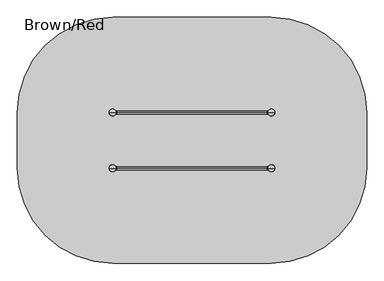
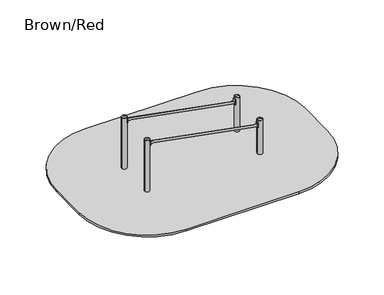
"""IFC4 building model written with IfcOpenShell, lengths in millimetres: furniture geometry, Brown/Red."""

from ifc_helpers import new_model, si_unit, point, frame, frame_2d, origin, origin_2d, place, context, project, spatial, polyline, circle_curve, ellipse_curve, trimmed, segment, composite_curve, outline, extrude, source, transform, mapped, element, save
from ifc_brep_helpers import plane_surface, cylinder_surface, revolved_surface, extruded_surface, advanced_brep


def brown_red_e0551673(model_context):
    return source(origin(), model_context, "Body", "SolidModel", [
        extrude(outline(composite_curve([segment(trimmed(circle_curve(frame_2d((1691.9716639, 174.6300052)), 1.0), [point((1692.811835, 175.1723266))], [point((1691.6296437, 173.6903126))], False, "CARTESIAN"), True, "CONTINUOUS"), segment(polyline([(1691.6296437, 173.6903126), (1674.9518948, 179.7605168)]), True, "CONTINUOUS"), segment(trimmed(circle_curve(frame_2d((1675.293915, 180.7002094)), 1.0), [point((1674.9518948, 179.7605168))], [point((1674.293915, 180.7002094))], False, "CARTESIAN"), True, "CONTINUOUS"), segment(polyline([(1674.293915, 180.7002094), (1674.293915, 229.2997943)]), True, "CONTINUOUS"), segment(trimmed(circle_curve(frame_2d((1675.293915, 229.2997943)), 1.0), [point((1674.293915, 229.2997943))], [point((1674.9518948, 230.2394869))], False, "CARTESIAN"), True, "CONTINUOUS"), segment(polyline([(1674.9518948, 230.2394869), (1691.6296437, 236.3096911)]), True, "CONTINUOUS"), segment(trimmed(circle_curve(frame_2d((1691.9716639, 235.3699985)), 1.0), [point((1691.6296437, 236.3096911))], [point((1692.811835, 234.8276771))], False, "CARTESIAN"), True, "CONTINUOUS"), segment(trimmed(circle_curve(frame_2d((1739.0212474, 205.0000019)), 55.0), [point((1692.811835, 234.8276771))], [point((1692.811835, 175.1723266))], True, "CARTESIAN"), True, "CONTINUOUS")], self_intersect=False)), frame((0.0, 0.0, 635.0), z_axis=(0.0, 0.0, 1.0), x_axis=(1.0, 0.0, 0.0)), (0.0, 0.0, 1.0), 120.0),
        extrude(outline(composite_curve([segment(trimmed(circle_curve(frame_2d((1691.9724263, 1054.6300052)), 1.0), [point((1692.8125975, 1055.1723266))], [point((1691.6304062, 1053.6903126))], False, "CARTESIAN"), True, "CONTINUOUS"), segment(polyline([(1691.6304062, 1053.6903126), (1674.9526573, 1059.7605168)]), True, "CONTINUOUS"), segment(trimmed(circle_curve(frame_2d((1675.2946774, 1060.7002094)), 1.0), [point((1674.9526573, 1059.7605168))], [point((1674.2946774, 1060.7002094))], False, "CARTESIAN"), True, "CONTINUOUS"), segment(polyline([(1674.2946774, 1060.7002094), (1674.2946774, 1109.2997943)]), True, "CONTINUOUS"), segment(trimmed(circle_curve(frame_2d((1675.2946774, 1109.2997943)), 1.0), [point((1674.2946774, 1109.2997943))], [point((1674.9526573, 1110.2394869))], False, "CARTESIAN"), True, "CONTINUOUS"), segment(polyline([(1674.9526573, 1110.2394869), (1691.6304062, 1116.3096911)]), True, "CONTINUOUS"), segment(trimmed(circle_curve(frame_2d((1691.9724263, 1115.3699985)), 1.0), [point((1691.6304062, 1116.3096911))], [point((1692.8125975, 1114.8276771))], False, "CARTESIAN"), True, "CONTINUOUS"), segment(trimmed(circle_curve(frame_2d((1739.0220098, 1085.0000019)), 55.0), [point((1692.8125975, 1114.8276771))], [point((1692.8125975, 1055.1723266))], True, "CARTESIAN"), True, "CONTINUOUS")], self_intersect=False)), frame((0.0, 0.0, 635.0), z_axis=(0.0, 0.0, 1.0), x_axis=(1.0, 0.0, 0.0)), (0.0, 0.0, 1.0), 120.0),
        extrude(outline(composite_curve([segment(trimmed(circle_curve(frame_2d((-713.8777489, 235.3699948)), 1.0), [point((-714.71792, 234.8276734))], [point((-713.5357288, 236.3096874))], False, "CARTESIAN"), True, "CONTINUOUS"), segment(polyline([(-713.5357288, 236.3096874), (-696.8579799, 230.2394832)]), True, "CONTINUOUS"), segment(trimmed(circle_curve(frame_2d((-697.2, 229.2997906)), 1.0), [point((-696.8579799, 230.2394832))], [point((-696.2, 229.2997906))], False, "CARTESIAN"), True, "CONTINUOUS"), segment(polyline([(-696.2, 229.2997906), (-696.2, 180.7002057)]), True, "CONTINUOUS"), segment(trimmed(circle_curve(frame_2d((-697.2, 180.7002057)), 1.0), [point((-696.2, 180.7002057))], [point((-696.8579799, 179.7605131))], False, "CARTESIAN"), True, "CONTINUOUS"), segment(polyline([(-696.8579799, 179.7605131), (-713.5357288, 173.6903089)]), True, "CONTINUOUS"), segment(trimmed(circle_curve(frame_2d((-713.8777489, 174.6300015)), 1.0), [point((-713.5357288, 173.6903089))], [point((-714.71792, 175.1723229))], False, "CARTESIAN"), True, "CONTINUOUS"), segment(trimmed(circle_curve(frame_2d((-760.9273324, 204.9999981)), 55.0), [point((-714.71792, 175.1723229))], [point((-714.71792, 234.8276734))], True, "CARTESIAN"), True, "CONTINUOUS")], self_intersect=False)), frame((0.0, 0.0, 1050.0), z_axis=(0.0, 0.0, 1.0), x_axis=(1.0, 0.0, 0.0)), (0.0, 0.0, 1.0), 120.0),
        extrude(outline(composite_curve([segment(trimmed(circle_curve(frame_2d((-713.8777489, 1115.3699948)), 1.0), [point((-714.71792, 1114.8276734))], [point((-713.5357288, 1116.3096874))], False, "CARTESIAN"), True, "CONTINUOUS"), segment(polyline([(-713.5357288, 1116.3096874), (-696.8579799, 1110.2394832)]), True, "CONTINUOUS"), segment(trimmed(circle_curve(frame_2d((-697.2, 1109.2997906)), 1.0), [point((-696.8579799, 1110.2394832))], [point((-696.2, 1109.2997906))], False, "CARTESIAN"), True, "CONTINUOUS"), segment(polyline([(-696.2, 1109.2997906), (-696.2, 1060.7002057)]), True, "CONTINUOUS"), segment(trimmed(circle_curve(frame_2d((-697.2, 1060.7002057)), 1.0), [point((-696.2, 1060.7002057))], [point((-696.8579799, 1059.7605131))], False, "CARTESIAN"), True, "CONTINUOUS"), segment(polyline([(-696.8579799, 1059.7605131), (-713.5357288, 1053.6903089)]), True, "CONTINUOUS"), segment(trimmed(circle_curve(frame_2d((-713.8777489, 1054.6300015)), 1.0), [point((-713.5357288, 1053.6903089))], [point((-714.71792, 1055.1723229))], False, "CARTESIAN"), True, "CONTINUOUS"), segment(trimmed(circle_curve(frame_2d((-760.9273324, 1084.9999981)), 55.0), [point((-714.71792, 1055.1723229))], [point((-714.71792, 1114.8276734))], True, "CARTESIAN"), True, "CONTINUOUS")], self_intersect=False)), frame((0.0, 0.0, 1050.0), z_axis=(0.0, 0.0, 1.0), x_axis=(1.0, 0.0, 0.0)), (0.0, 0.0, 1.0), 120.0),
        extrude(outline(composite_curve([segment(trimmed(circle_curve(frame_2d((1769.3699948, 1037.9777489)), 1.0), [point((1768.8276734, 1038.81792))], [point((1770.3096874, 1037.6357288))], False, "CARTESIAN"), True, "CONTINUOUS"), segment(polyline([(1770.3096874, 1037.6357288), (1764.2394832, 1020.9579799)]), True, "CONTINUOUS"), segment(trimmed(circle_curve(frame_2d((1763.2997906, 1021.3)), 1.0), [point((1764.2394832, 1020.9579799))], [point((1763.2997906, 1020.3))], False, "CARTESIAN"), True, "CONTINUOUS"), segment(polyline([(1763.2997906, 1020.3), (1714.7002057, 1020.3)]), True, "CONTINUOUS"), segment(trimmed(circle_curve(frame_2d((1714.7002057, 1021.3)), 1.0), [point((1714.7002057, 1020.3))], [point((1713.7605131, 1020.9579799))], False, "CARTESIAN"), True, "CONTINUOUS"), segment(polyline([(1713.7605131, 1020.9579799), (1707.6903089, 1037.6357288)]), True, "CONTINUOUS"), segment(trimmed(circle_curve(frame_2d((1708.6300015, 1037.9777489)), 1.0), [point((1707.6903089, 1037.6357288))], [point((1709.1723229, 1038.81792))], False, "CARTESIAN"), True, "CONTINUOUS"), segment(trimmed(circle_curve(frame_2d((1738.9999981, 1085.0273324)), 55.0), [point((1709.1723229, 1038.81792))], [point((1768.8276734, 1038.81792))], True, "CARTESIAN"), True, "CONTINUOUS")], self_intersect=False)), frame((0.0, 0.0, -335.0), z_axis=(0.0, 0.0, 1.0), x_axis=(1.0, 0.0, 0.0)), (0.0, 0.0, 1.0), 120.0),
        extrude(outline(composite_curve([segment(trimmed(circle_curve(frame_2d((1708.6300052, 252.0683449)), 1.0), [point((1709.1723266, 251.2281737))], [point((1707.6903126, 252.410365))], False, "CARTESIAN"), True, "CONTINUOUS"), segment(polyline([(1707.6903126, 252.410365), (1713.7605168, 269.0881139)]), True, "CONTINUOUS"), segment(trimmed(circle_curve(frame_2d((1714.7002094, 268.7460937)), 1.0), [point((1713.7605168, 269.0881139))], [point((1714.7002094, 269.7460937))], False, "CARTESIAN"), True, "CONTINUOUS"), segment(polyline([(1714.7002094, 269.7460937), (1763.2997943, 269.7460937)]), True, "CONTINUOUS"), segment(trimmed(circle_curve(frame_2d((1763.2997943, 268.7460937)), 1.0), [point((1763.2997943, 269.7460937))], [point((1764.2394869, 269.0881139))], False, "CARTESIAN"), True, "CONTINUOUS"), segment(polyline([(1764.2394869, 269.0881139), (1770.3096911, 252.410365)]), True, "CONTINUOUS"), segment(trimmed(circle_curve(frame_2d((1769.3699985, 252.0683449)), 1.0), [point((1770.3096911, 252.410365))], [point((1768.8276771, 251.2281737))], False, "CARTESIAN"), True, "CONTINUOUS"), segment(trimmed(circle_curve(frame_2d((1739.0000019, 205.0187614)), 55.0), [point((1768.8276771, 251.2281737))], [point((1709.1723266, 251.2281737))], True, "CARTESIAN"), True, "CONTINUOUS")], self_intersect=False)), frame((0.0, 0.0, -335.0), z_axis=(0.0, 0.0, 1.0), x_axis=(1.0, 0.0, 0.0)), (0.0, 0.0, 1.0), 120.0),
        extrude(outline(composite_curve([segment(trimmed(circle_curve(frame_2d((-730.6300052, 1037.9777489)), 1.0), [point((-731.1723266, 1038.81792))], [point((-729.6903126, 1037.6357288))], False, "CARTESIAN"), True, "CONTINUOUS"), segment(polyline([(-729.6903126, 1037.6357288), (-735.7605168, 1020.9579799)]), True, "CONTINUOUS"), segment(trimmed(circle_curve(frame_2d((-736.7002094, 1021.3)), 1.0), [point((-735.7605168, 1020.9579799))], [point((-736.7002094, 1020.3))], False, "CARTESIAN"), True, "CONTINUOUS"), segment(polyline([(-736.7002094, 1020.3), (-785.2997943, 1020.3)]), True, "CONTINUOUS"), segment(trimmed(circle_curve(frame_2d((-785.2997943, 1021.3)), 1.0), [point((-785.2997943, 1020.3))], [point((-786.2394869, 1020.9579799))], False, "CARTESIAN"), True, "CONTINUOUS"), segment(polyline([(-786.2394869, 1020.9579799), (-792.3096911, 1037.6357288)]), True, "CONTINUOUS"), segment(trimmed(circle_curve(frame_2d((-791.3699985, 1037.9777489)), 1.0), [point((-792.3096911, 1037.6357288))], [point((-790.8276771, 1038.81792))], False, "CARTESIAN"), True, "CONTINUOUS"), segment(trimmed(circle_curve(frame_2d((-761.0000019, 1085.0273324)), 55.0), [point((-790.8276771, 1038.81792))], [point((-731.1723266, 1038.81792))], True, "CARTESIAN"), True, "CONTINUOUS")], self_intersect=False)), frame((0.0, 0.0, -335.0), z_axis=(0.0, 0.0, 1.0), x_axis=(1.0, 0.0, 0.0)), (0.0, 0.0, 1.0), 120.0),
        extrude(outline(composite_curve([segment(trimmed(circle_curve(frame_2d((-791.3699948, 252.0740781)), 1.0), [point((-790.8276734, 251.233907))], [point((-792.3096874, 252.4160982))], False, "CARTESIAN"), True, "CONTINUOUS"), segment(polyline([(-792.3096874, 252.4160982), (-786.2394832, 269.0938471)]), True, "CONTINUOUS"), segment(trimmed(circle_curve(frame_2d((-785.2997906, 268.751827)), 1.0), [point((-786.2394832, 269.0938471))], [point((-785.2997906, 269.751827))], False, "CARTESIAN"), True, "CONTINUOUS"), segment(polyline([(-785.2997906, 269.751827), (-736.7002057, 269.751827)]), True, "CONTINUOUS"), segment(trimmed(circle_curve(frame_2d((-736.7002057, 268.751827)), 1.0), [point((-736.7002057, 269.751827))], [point((-735.7605131, 269.0938471))], False, "CARTESIAN"), True, "CONTINUOUS"), segment(polyline([(-735.7605131, 269.0938471), (-729.6903089, 252.4160982)]), True, "CONTINUOUS"), segment(trimmed(circle_curve(frame_2d((-730.6300015, 252.0740781)), 1.0), [point((-729.6903089, 252.4160982))], [point((-731.1723229, 251.233907))], False, "CARTESIAN"), True, "CONTINUOUS"), segment(trimmed(circle_curve(frame_2d((-760.9999981, 205.0244946)), 55.0), [point((-731.1723229, 251.233907))], [point((-790.8276734, 251.233907))], True, "CARTESIAN"), True, "CONTINUOUS")], self_intersect=False)), frame((0.0, 0.0, -335.0), z_axis=(0.0, 0.0, 1.0), x_axis=(1.0, 0.0, 0.0)), (0.0, 0.0, 1.0), 120.0),
        advanced_brep(
        [(1794.0, 1085.0, 800.0), (1684.0, 1085.0, 800.0), (1739.0, 1085.0, 812.0246565), (1739.0, 1085.0, 800.0)],
        [
            (0, 1, circle_curve(frame((1739.0, 1085.0, 800.0), z_axis=(0.0, 0.0, 1.0), x_axis=(-1.0, 0.0, 0.0)), 55.0)),
            (1, 2, circle_curve(frame((1734.4549856, 1085.0, 701.0177111), z_axis=(0.0, 1.0, 0.0), x_axis=(-1.0, 0.0, 0.0)), 111.0999509)),
            (2, 0, circle_curve(frame((1743.5450144, 1085.0, 701.0177111), z_axis=(0.0, 1.0, 0.0), x_axis=(1.0, 0.0, 0.0)), 111.0999509)),
            (1, 0, circle_curve(frame((1739.0, 1085.0, 800.0), z_axis=(0.0, 0.0, 1.0), x_axis=(-1.0, 0.0, 0.0)), 55.0)),
            (3, 1),
            (0, 3),
        ],
        [
            revolved_surface(trimmed(ellipse_curve(frame((1734.4549856, 1085.0, 701.0177111), z_axis=(0.0, -1.0, 0.0), x_axis=(-1.0, 0.0, 0.0)), 111.0999509, 111.0999509), [point((1739.0, 1085.0, 812.0246565))], [point((1684.0, 1085.0, 800.0))], True, "CARTESIAN"), (1739.0, 1085.0, 419.0), (0.0, 0.0, -1.0)),
            plane_surface(frame((1739.0, 1085.0, 800.0), z_axis=(0.0, 0.0, -1.0), x_axis=(-1.0, 0.0, 0.0))),
        ],
        [
            (0, [[1, 2, 3]]),
            (0, [[4, -3, -2]]),
            (1, [[5, -1, 6]]),
            (1, [[-6, -4, -5]]),
        ],
    ),
        advanced_brep(
        [(-748.5, 1157.4599432, -225.0), (-761.0, 1157.4599432, -225.0), (-773.5, 1157.4599432, -225.0), (-833.5, 1097.4599432, -225.0), (-833.5, 1072.4599432, -225.0), (-773.5, 1012.4599432, -225.0), (-748.5, 1012.4599432, -225.0), (-688.5, 1072.4599432, -225.0), (-688.5, 1097.4599432, -225.0), (-671.0, 1235.0, -460.0), (-761.0, 1235.0, -460.0), (-851.0, 1235.0, -460.0), (-911.0, 1175.0, -460.0), (-911.0, 995.0, -460.0), (-851.0, 935.0, -460.0), (-671.0, 935.0, -460.0), (-611.0, 995.0, -460.0), (-611.0, 1175.0, -460.0), (-671.0, 1235.0, -600.0), (-611.0, 1175.0, -600.0), (-611.0, 995.0, -600.0), (-671.0, 935.0, -600.0), (-851.0, 935.0, -600.0), (-911.0, 995.0, -600.0), (-911.0, 1175.0, -600.0), (-851.0, 1235.0, -600.0), (-761.0, 1235.0, -600.0)],
        [
            (0, 1),
            (1, 2),
            (2, 3, circle_curve(frame((-773.5, 1097.4599432, -225.0), z_axis=(0.0, 0.0, 1.0), x_axis=(1.0, 0.0, 0.0)), 60.0)),
            (3, 4),
            (4, 5, circle_curve(frame((-773.5, 1072.4599432, -225.0), z_axis=(0.0, 0.0, 1.0), x_axis=(1.0, 0.0, 0.0)), 60.0)),
            (5, 6),
            (6, 7, circle_curve(frame((-748.5, 1072.4599432, -225.0), z_axis=(0.0, 0.0, 1.0), x_axis=(1.0, 0.0, 0.0)), 60.0)),
            (7, 8),
            (8, 0, circle_curve(frame((-748.5, 1097.4599432, -225.0), z_axis=(0.0, 0.0, 1.0), x_axis=(1.0, 0.0, 0.0)), 60.0)),
            (0, 9),
            (9, 10),
            (10, 1),
            (10, 11),
            (11, 2),
            (11, 12, circle_curve(frame((-851.0, 1175.0, -460.0), z_axis=(0.0, 0.0, 1.0), x_axis=(1.0, 0.0, 0.0)), 60.0)),
            (12, 3),
            (12, 13),
            (13, 4),
            (13, 14, circle_curve(frame((-851.0, 995.0, -460.0), z_axis=(0.0, 0.0, 1.0), x_axis=(1.0, 0.0, 0.0)), 60.0)),
            (14, 5),
            (14, 15),
            (15, 6),
            (15, 16, circle_curve(frame((-671.0, 995.0, -460.0), z_axis=(0.0, 0.0, 1.0), x_axis=(1.0, 0.0, 0.0)), 60.0)),
            (16, 7),
            (16, 17),
            (17, 8),
            (17, 9, circle_curve(frame((-671.0, 1175.0, -460.0), z_axis=(0.0, 0.0, 1.0), x_axis=(1.0, 0.0, 0.0)), 60.0)),
            (18, 19, circle_curve(frame((-671.0, 1175.0, -600.0), z_axis=(0.0, 0.0, -1.0), x_axis=(1.0, 0.0, 0.0)), 60.0)),
            (19, 20),
            (20, 21, circle_curve(frame((-671.0, 995.0, -600.0), z_axis=(0.0, 0.0, -1.0), x_axis=(1.0, 0.0, 0.0)), 60.0)),
            (21, 22),
            (22, 23, circle_curve(frame((-851.0, 995.0, -600.0), z_axis=(0.0, 0.0, -1.0), x_axis=(1.0, 0.0, 0.0)), 60.0)),
            (23, 24),
            (24, 25, circle_curve(frame((-851.0, 1175.0, -600.0), z_axis=(0.0, 0.0, -1.0), x_axis=(1.0, 0.0, 0.0)), 60.0)),
            (25, 26),
            (26, 18),
            (26, 10),
            (9, 18),
            (25, 11),
            (23, 13),
            (12, 24),
            (21, 15),
            (14, 22),
            (19, 17),
            (16, 20),
        ],
        [
            plane_surface(frame((-761.0, 1093.0154988, -225.0), z_axis=(0.0, 0.0, 1.0), x_axis=(-1.0, 0.0, 0.0))),
            plane_surface(frame((-754.75, 1157.4599432, -225.0), z_axis=(0.0, 0.9496406059136844, 0.3133412191204512), x_axis=(1.0, 0.0, 0.0))),
            plane_surface(frame((-767.25, 1157.4599432, -225.0), z_axis=(0.0, 0.9496406059136843, 0.3133412191204512), x_axis=(1.0, 0.0, 0.0))),
            extruded_surface(trimmed(circle_curve(frame((-773.5, 1097.4599432, -225.0), z_axis=(0.0, 0.0, -1.0), x_axis=(1.0, 0.0, 0.0)), 60.0), [point((-833.5, 1097.4599432, -225.0))], [point((-773.5, 1157.4599432, -225.0))], True, "CARTESIAN"), (-77.5, 77.5400568, -235.0), 259.3139225119763),
            plane_surface(frame((-833.5, 1084.9599432, -225.0), z_axis=(-0.9496887635303409, 0.0, 0.31319523052596476), x_axis=(0.0, 1.0, 0.0))),
            extruded_surface(trimmed(circle_curve(frame((-773.5, 1072.4599432, -225.0), z_axis=(0.0, 0.0, -1.0), x_axis=(1.0, 0.0, 0.0)), 60.0), [point((-773.5, 1012.4599432, -225.0))], [point((-833.5, 1072.4599432, -225.0))], True, "CARTESIAN"), (-77.5, -77.4599432, -235.0), 259.2899782107809),
            plane_surface(frame((-761.0, 1012.4599432, -225.0), z_axis=(0.0, -0.9497369035840961, 0.3130492197250991), x_axis=(-1.0, 0.0, 0.0))),
            extruded_surface(trimmed(circle_curve(frame((-748.5, 1072.4599432, -225.0), z_axis=(0.0, 0.0, -1.0), x_axis=(1.0, 0.0, 0.0)), 60.0), [point((-688.5, 1072.4599432, -225.0))], [point((-748.5, 1012.4599432, -225.0))], True, "CARTESIAN"), (77.5, -77.4599432, -235.0), 259.2899782107809),
            plane_surface(frame((-688.5, 1084.9599432, -225.0), z_axis=(0.9496887635303416, 0.0, 0.3131952305259627), x_axis=(0.0, -1.0, 0.0))),
            extruded_surface(trimmed(circle_curve(frame((-748.5, 1097.4599432, -225.0), z_axis=(0.0, 0.0, -1.0), x_axis=(1.0, 0.0, 0.0)), 60.0), [point((-748.5, 1157.4599432, -225.0))], [point((-688.5, 1097.4599432, -225.0))], True, "CARTESIAN"), (77.5, 77.5400568, -235.0), 259.3139225119763),
            plane_surface(frame((-761.0, 1235.0, -600.0), z_axis=(0.0, 0.0, -1.0), x_axis=(1.0, 0.0, 0.0))),
            plane_surface(frame((-671.0, 1235.0, -460.0), z_axis=(0.0, 1.0, 0.0), x_axis=(0.0, 0.0, -1.0))),
            plane_surface(frame((-761.0, 1235.0, -460.0), z_axis=(0.0, 1.0, 0.0), x_axis=(0.0, 0.0, -1.0))),
            plane_surface(frame((-911.0, 1175.0, -460.0), z_axis=(-1.0, 0.0, 0.0), x_axis=(0.0, 0.0, -1.0))),
            plane_surface(frame((-851.0, 935.0, -460.0), z_axis=(0.0, -1.0, 0.0), x_axis=(0.0, 0.0, -1.0))),
            plane_surface(frame((-611.0, 995.0, -460.0), z_axis=(1.0, 0.0, 0.0), x_axis=(0.0, 0.0, -1.0))),
            cylinder_surface(frame((-851.0, 1175.0, -600.0), z_axis=(0.0, 0.0, 1.0), x_axis=(1.0, 0.0, 0.0)), 60.0),
            cylinder_surface(frame((-851.0, 995.0, -600.0), z_axis=(0.0, 0.0, 1.0), x_axis=(1.0, 0.0, 0.0)), 60.0),
            cylinder_surface(frame((-671.0, 995.0, -600.0), z_axis=(0.0, 0.0, 1.0), x_axis=(1.0, 0.0, 0.0)), 60.0),
            cylinder_surface(frame((-671.0, 1175.0, -600.0), z_axis=(0.0, 0.0, 1.0), x_axis=(1.0, 0.0, 0.0)), 60.0),
        ],
        [
            (0, [[1, 2, 3, 4, 5, 6, 7, 8, 9]]),
            (1, [[-1, 10, 11, 12]]),
            (2, [[-2, -12, 13, 14]]),
            (3, [[-3, -14, 15, 16]]),
            (4, [[-4, -16, 17, 18]]),
            (5, [[-5, -18, 19, 20]]),
            (6, [[-6, -20, 21, 22]]),
            (7, [[-7, -22, 23, 24]]),
            (8, [[-8, -24, 25, 26]]),
            (9, [[-9, -26, 27, -10]]),
            (10, [[28, 29, 30, 31, 32, 33, 34, 35, 36]]),
            (11, [[-36, 37, -11, 38]]),
            (12, [[-35, 39, -13, -37]]),
            (13, [[-33, 40, -17, 41]]),
            (14, [[-31, 42, -21, 43]]),
            (15, [[-29, 44, -25, 45]]),
            (16, [[-34, -41, -15, -39]]),
            (17, [[-32, -43, -19, -40]]),
            (18, [[-30, -45, -23, -42]]),
            (19, [[-28, -38, -27, -44]]),
        ],
    ),
        extrude(outline(composite_curve([segment(trimmed(circle_curve(frame_2d((-761.0, 1085.0)), 55.0), [point((-816.0, 1085.0))], [point((-706.0, 1085.0))], False, "CARTESIAN"), True, "CONTINUOUS"), segment(trimmed(circle_curve(frame_2d((-761.0, 1085.0)), 55.0), [point((-706.0, 1085.0))], [point((-816.0, 1085.0))], False, "CARTESIAN"), True, "CONTINUOUS")], self_intersect=False)), frame((0.0, 0.0, -600.0), z_axis=(0.0, 0.0, 1.0), x_axis=(1.0, 0.0, 0.0)), (0.0, 0.0, 1.0), 500.0),
        advanced_brep(
        [(1751.5, 1157.4599432, -225.0), (1739.0, 1157.4599432, -225.0), (1726.5, 1157.4599432, -225.0), (1666.5, 1097.4599432, -225.0), (1666.5, 1072.4599432, -225.0), (1726.5, 1012.4599432, -225.0), (1751.5, 1012.4599432, -225.0), (1811.5, 1072.4599432, -225.0), (1811.5, 1097.4599432, -225.0), (1829.0, 1235.0, -460.0), (1739.0, 1235.0, -460.0), (1649.0, 1235.0, -460.0), (1589.0, 1175.0, -460.0), (1589.0, 995.0, -460.0), (1649.0, 935.0, -460.0), (1829.0, 935.0, -460.0), (1889.0, 995.0, -460.0), (1889.0, 1175.0, -460.0), (1829.0, 1235.0, -600.0), (1889.0, 1175.0, -600.0), (1889.0, 995.0, -600.0), (1829.0, 935.0, -600.0), (1649.0, 935.0, -600.0), (1589.0, 995.0, -600.0), (1589.0, 1175.0, -600.0), (1649.0, 1235.0, -600.0), (1739.0, 1235.0, -600.0)],
        [
            (0, 1),
            (1, 2),
            (2, 3, circle_curve(frame((1726.5, 1097.4599432, -225.0), z_axis=(0.0, 0.0, 1.0), x_axis=(1.0, 0.0, 0.0)), 60.0)),
            (3, 4),
            (4, 5, circle_curve(frame((1726.5, 1072.4599432, -225.0), z_axis=(0.0, 0.0, 1.0), x_axis=(1.0, 0.0, 0.0)), 60.0)),
            (5, 6),
            (6, 7, circle_curve(frame((1751.5, 1072.4599432, -225.0), z_axis=(0.0, 0.0, 1.0), x_axis=(1.0, 0.0, 0.0)), 60.0)),
            (7, 8),
            (8, 0, circle_curve(frame((1751.5, 1097.4599432, -225.0), z_axis=(0.0, 0.0, 1.0), x_axis=(1.0, 0.0, 0.0)), 60.0)),
            (0, 9),
            (9, 10),
            (10, 1),
            (10, 11),
            (11, 2),
            (11, 12, circle_curve(frame((1649.0, 1175.0, -460.0), z_axis=(0.0, 0.0, 1.0), x_axis=(1.0, 0.0, 0.0)), 60.0)),
            (12, 3),
            (12, 13),
            (13, 4),
            (13, 14, circle_curve(frame((1649.0, 995.0, -460.0), z_axis=(0.0, 0.0, 1.0), x_axis=(1.0, 0.0, 0.0)), 60.0)),
            (14, 5),
            (14, 15),
            (15, 6),
            (15, 16, circle_curve(frame((1829.0, 995.0, -460.0), z_axis=(0.0, 0.0, 1.0), x_axis=(1.0, 0.0, 0.0)), 60.0)),
            (16, 7),
            (16, 17),
            (17, 8),
            (17, 9, circle_curve(frame((1829.0, 1175.0, -460.0), z_axis=(0.0, 0.0, 1.0), x_axis=(1.0, 0.0, 0.0)), 60.0)),
            (18, 19, circle_curve(frame((1829.0, 1175.0, -600.0), z_axis=(0.0, 0.0, -1.0), x_axis=(1.0, 0.0, 0.0)), 60.0)),
            (19, 20),
            (20, 21, circle_curve(frame((1829.0, 995.0, -600.0), z_axis=(0.0, 0.0, -1.0), x_axis=(1.0, 0.0, 0.0)), 60.0)),
            (21, 22),
            (22, 23, circle_curve(frame((1649.0, 995.0, -600.0), z_axis=(0.0, 0.0, -1.0), x_axis=(1.0, 0.0, 0.0)), 60.0)),
            (23, 24),
            (24, 25, circle_curve(frame((1649.0, 1175.0, -600.0), z_axis=(0.0, 0.0, -1.0), x_axis=(1.0, 0.0, 0.0)), 60.0)),
            (25, 26),
            (26, 18),
            (26, 10),
            (9, 18),
            (25, 11),
            (23, 13),
            (12, 24),
            (21, 15),
            (14, 22),
            (19, 17),
            (16, 20),
        ],
        [
            plane_surface(frame((1739.0, 1093.0154988, -225.0), z_axis=(0.0, 0.0, 1.0), x_axis=(-1.0, 0.0, 0.0))),
            plane_surface(frame((1745.25, 1157.4599432, -225.0), z_axis=(0.0, 0.9496406059136844, 0.3133412191204512), x_axis=(1.0, 0.0, 0.0))),
            plane_surface(frame((1732.75, 1157.4599432, -225.0), z_axis=(0.0, 0.9496406059136843, 0.3133412191204512), x_axis=(1.0, 0.0, 0.0))),
            extruded_surface(trimmed(circle_curve(frame((1726.5, 1097.4599432, -225.0), z_axis=(0.0, 0.0, -1.0), x_axis=(1.0, 0.0, 0.0)), 60.0), [point((1666.5, 1097.4599432, -225.0))], [point((1726.5, 1157.4599432, -225.0))], True, "CARTESIAN"), (-77.5, 77.5400568, -235.0), 259.3139225119763),
            plane_surface(frame((1666.5, 1084.9599432, -225.0), z_axis=(-0.9496887635303409, 0.0, 0.31319523052596476), x_axis=(0.0, 1.0, 0.0))),
            extruded_surface(trimmed(circle_curve(frame((1726.5, 1072.4599432, -225.0), z_axis=(0.0, 0.0, -1.0), x_axis=(1.0, 0.0, 0.0)), 60.0), [point((1726.5, 1012.4599432, -225.0))], [point((1666.5, 1072.4599432, -225.0))], True, "CARTESIAN"), (-77.5, -77.4599432, -235.0), 259.2899782107809),
            plane_surface(frame((1739.0, 1012.4599432, -225.0), z_axis=(0.0, -0.9497369035840961, 0.3130492197250991), x_axis=(-1.0, 0.0, 0.0))),
            extruded_surface(trimmed(circle_curve(frame((1751.5, 1072.4599432, -225.0), z_axis=(0.0, 0.0, -1.0), x_axis=(1.0, 0.0, 0.0)), 60.0), [point((1811.5, 1072.4599432, -225.0))], [point((1751.5, 1012.4599432, -225.0))], True, "CARTESIAN"), (77.5, -77.4599432, -235.0), 259.2899782107809),
            plane_surface(frame((1811.5, 1084.9599432, -225.0), z_axis=(0.9496887635303416, 0.0, 0.3131952305259627), x_axis=(0.0, -1.0, 0.0))),
            extruded_surface(trimmed(circle_curve(frame((1751.5, 1097.4599432, -225.0), z_axis=(0.0, 0.0, -1.0), x_axis=(1.0, 0.0, 0.0)), 60.0), [point((1751.5, 1157.4599432, -225.0))], [point((1811.5, 1097.4599432, -225.0))], True, "CARTESIAN"), (77.5, 77.5400568, -235.0), 259.3139225119763),
            plane_surface(frame((1739.0, 1235.0, -600.0), z_axis=(0.0, 0.0, -1.0), x_axis=(1.0, 0.0, 0.0))),
            plane_surface(frame((1829.0, 1235.0, -460.0), z_axis=(0.0, 1.0, 0.0), x_axis=(0.0, 0.0, -1.0))),
            plane_surface(frame((1739.0, 1235.0, -460.0), z_axis=(0.0, 1.0, 0.0), x_axis=(0.0, 0.0, -1.0))),
            plane_surface(frame((1589.0, 1175.0, -460.0), z_axis=(-1.0, 0.0, 0.0), x_axis=(0.0, 0.0, -1.0))),
            plane_surface(frame((1649.0, 935.0, -460.0), z_axis=(0.0, -1.0, 0.0), x_axis=(0.0, 0.0, -1.0))),
            plane_surface(frame((1889.0, 995.0, -460.0), z_axis=(1.0, 0.0, 0.0), x_axis=(0.0, 0.0, -1.0))),
            cylinder_surface(frame((1649.0, 1175.0, -600.0), z_axis=(0.0, 0.0, 1.0), x_axis=(1.0, 0.0, 0.0)), 60.0),
            cylinder_surface(frame((1649.0, 995.0, -600.0), z_axis=(0.0, 0.0, 1.0), x_axis=(1.0, 0.0, 0.0)), 60.0),
            cylinder_surface(frame((1829.0, 995.0, -600.0), z_axis=(0.0, 0.0, 1.0), x_axis=(1.0, 0.0, 0.0)), 60.0),
            cylinder_surface(frame((1829.0, 1175.0, -600.0), z_axis=(0.0, 0.0, 1.0), x_axis=(1.0, 0.0, 0.0)), 60.0),
        ],
        [
            (0, [[1, 2, 3, 4, 5, 6, 7, 8, 9]]),
            (1, [[-1, 10, 11, 12]]),
            (2, [[-2, -12, 13, 14]]),
            (3, [[-3, -14, 15, 16]]),
            (4, [[-4, -16, 17, 18]]),
            (5, [[-5, -18, 19, 20]]),
            (6, [[-6, -20, 21, 22]]),
            (7, [[-7, -22, 23, 24]]),
            (8, [[-8, -24, 25, 26]]),
            (9, [[-9, -26, 27, -10]]),
            (10, [[28, 29, 30, 31, 32, 33, 34, 35, 36]]),
            (11, [[-36, 37, -11, 38]]),
            (12, [[-35, 39, -13, -37]]),
            (13, [[-33, 40, -17, 41]]),
            (14, [[-31, 42, -21, 43]]),
            (15, [[-29, 44, -25, 45]]),
            (16, [[-34, -41, -15, -39]]),
            (17, [[-32, -43, -19, -40]]),
            (18, [[-30, -45, -23, -42]]),
            (19, [[-28, -38, -27, -44]]),
        ],
    ),
        extrude(outline(composite_curve([segment(trimmed(circle_curve(frame_2d((1739.0, 1085.0)), 55.0), [point((1684.0, 1085.0))], [point((1794.0, 1085.0))], False, "CARTESIAN"), True, "CONTINUOUS"), segment(trimmed(circle_curve(frame_2d((1739.0, 1085.0)), 55.0), [point((1794.0, 1085.0))], [point((1684.0, 1085.0))], False, "CARTESIAN"), True, "CONTINUOUS")], self_intersect=False)), frame((0.0, 0.0, -600.0), z_axis=(0.0, 0.0, 1.0), x_axis=(1.0, 0.0, 0.0)), (0.0, 0.0, 1.0), 500.0),
        advanced_brep(
        [(-706.0, 1085.0, 1200.0), (-816.0, 1085.0, 1200.0), (-761.0, 1085.0, 1212.0246565), (-761.0, 1085.0, 1200.0)],
        [
            (0, 1, circle_curve(frame((-761.0, 1085.0, 1200.0), z_axis=(0.0, 0.0, 1.0), x_axis=(-1.0, 0.0, 0.0)), 55.0)),
            (1, 2, circle_curve(frame((-765.5450144, 1085.0, 1101.0177111), z_axis=(0.0, 1.0, 0.0), x_axis=(-1.0, 0.0, 0.0)), 111.0999509)),
            (2, 0, circle_curve(frame((-756.4549856, 1085.0, 1101.0177111), z_axis=(0.0, 1.0, 0.0), x_axis=(1.0, 0.0, 0.0)), 111.0999509)),
            (1, 0, circle_curve(frame((-761.0, 1085.0, 1200.0), z_axis=(0.0, 0.0, 1.0), x_axis=(-1.0, 0.0, 0.0)), 55.0)),
            (3, 1),
            (0, 3),
        ],
        [
            revolved_surface(trimmed(ellipse_curve(frame((-765.5450144, 1085.0, 1101.0177111), z_axis=(0.0, -1.0, 0.0), x_axis=(-1.0, 0.0, 0.0)), 111.0999509, 111.0999509), [point((-761.0, 1085.0, 1212.0246565))], [point((-816.0, 1085.0, 1200.0))], True, "CARTESIAN"), (-761.0, 1085.0, 819.0), (0.0, 0.0, -1.0)),
            plane_surface(frame((-761.0, 1085.0, 1200.0), z_axis=(0.0, 0.0, -1.0), x_axis=(-1.0, 0.0, 0.0))),
        ],
        [
            (0, [[1, 2, 3]]),
            (0, [[4, -3, -2]]),
            (1, [[5, -1, 6]]),
            (1, [[-6, -4, -5]]),
        ],
    ),
        advanced_brep(
        [(1794.0, 205.0, 800.0), (1684.0, 205.0, 800.0), (1739.0, 205.0, 812.0246565), (1739.0, 205.0, 800.0)],
        [
            (0, 1, circle_curve(frame((1739.0, 205.0, 800.0), z_axis=(0.0, 0.0, 1.0), x_axis=(-1.0, 0.0, 0.0)), 55.0)),
            (1, 2, circle_curve(frame((1734.4549856, 205.0, 701.0177111), z_axis=(0.0, 1.0, 0.0), x_axis=(-1.0, 0.0, 0.0)), 111.0999509)),
            (2, 0, circle_curve(frame((1743.5450144, 205.0, 701.0177111), z_axis=(0.0, 1.0, 0.0), x_axis=(1.0, 0.0, 0.0)), 111.0999509)),
            (1, 0, circle_curve(frame((1739.0, 205.0, 800.0), z_axis=(0.0, 0.0, 1.0), x_axis=(-1.0, 0.0, 0.0)), 55.0)),
            (3, 1),
            (0, 3),
        ],
        [
            revolved_surface(trimmed(ellipse_curve(frame((1734.4549856, 205.0, 701.0177111), z_axis=(0.0, -1.0, 0.0), x_axis=(-1.0, 0.0, 0.0)), 111.0999509, 111.0999509), [point((1739.0, 205.0, 812.0246565))], [point((1684.0, 205.0, 800.0))], True, "CARTESIAN"), (1739.0, 205.0, 419.0), (0.0, 0.0, -1.0)),
            plane_surface(frame((1739.0, 205.0, 800.0), z_axis=(0.0, 0.0, -1.0), x_axis=(-1.0, 0.0, 0.0))),
        ],
        [
            (0, [[1, 2, 3]]),
            (0, [[4, -3, -2]]),
            (1, [[5, -1, 6]]),
            (1, [[-6, -4, -5]]),
        ],
    ),
        advanced_brep(
        [(-706.0, 205.0, 1200.0), (-816.0, 205.0, 1200.0), (-761.0, 205.0, 1212.0246565), (-761.0, 205.0, 1200.0)],
        [
            (0, 1, circle_curve(frame((-761.0, 205.0, 1200.0), z_axis=(0.0, 0.0, 1.0), x_axis=(-1.0, 0.0, 0.0)), 55.0)),
            (1, 2, circle_curve(frame((-765.5450144, 205.0, 1101.0177111), z_axis=(0.0, 1.0, 0.0), x_axis=(-1.0, 0.0, 0.0)), 111.0999509)),
            (2, 0, circle_curve(frame((-756.4549856, 205.0, 1101.0177111), z_axis=(0.0, 1.0, 0.0), x_axis=(1.0, 0.0, 0.0)), 111.0999509)),
            (1, 0, circle_curve(frame((-761.0, 205.0, 1200.0), z_axis=(0.0, 0.0, 1.0), x_axis=(-1.0, 0.0, 0.0)), 55.0)),
            (3, 1),
            (0, 3),
        ],
        [
            revolved_surface(trimmed(ellipse_curve(frame((-765.5450144, 205.0, 1101.0177111), z_axis=(0.0, -1.0, 0.0), x_axis=(-1.0, 0.0, 0.0)), 111.0999509, 111.0999509), [point((-761.0, 205.0, 1212.0246565))], [point((-816.0, 205.0, 1200.0))], True, "CARTESIAN"), (-761.0, 205.0, 819.0), (0.0, 0.0, -1.0)),
            plane_surface(frame((-761.0, 205.0, 1200.0), z_axis=(0.0, 0.0, -1.0), x_axis=(-1.0, 0.0, 0.0))),
        ],
        [
            (0, [[1, 2, 3]]),
            (0, [[4, -3, -2]]),
            (1, [[5, -1, 6]]),
            (1, [[-6, -4, -5]]),
        ],
    ),
        advanced_brep(
        [(1751.5, 277.4599432, -225.0), (1739.0, 277.4599432, -225.0), (1726.5, 277.4599432, -225.0), (1666.5, 217.4599432, -225.0), (1666.5, 192.4599432, -225.0), (1726.5, 132.4599432, -225.0), (1751.5, 132.4599432, -225.0), (1811.5, 192.4599432, -225.0), (1811.5, 217.4599432, -225.0), (1829.0, 355.0, -460.0), (1739.0, 355.0, -460.0), (1649.0, 355.0, -460.0), (1589.0, 295.0, -460.0), (1589.0, 115.0, -460.0), (1649.0, 55.0, -460.0), (1829.0, 55.0, -460.0), (1889.0, 115.0, -460.0), (1889.0, 295.0, -460.0), (1829.0, 355.0, -600.0), (1889.0, 295.0, -600.0), (1889.0, 115.0, -600.0), (1829.0, 55.0, -600.0), (1649.0, 55.0, -600.0), (1589.0, 115.0, -600.0), (1589.0, 295.0, -600.0), (1649.0, 355.0, -600.0), (1739.0, 355.0, -600.0)],
        [
            (0, 1),
            (1, 2),
            (2, 3, circle_curve(frame((1726.5, 217.4599432, -225.0), z_axis=(0.0, 0.0, 1.0), x_axis=(1.0, 0.0, 0.0)), 60.0)),
            (3, 4),
            (4, 5, circle_curve(frame((1726.5, 192.4599432, -225.0), z_axis=(0.0, 0.0, 1.0), x_axis=(1.0, 0.0, 0.0)), 60.0)),
            (5, 6),
            (6, 7, circle_curve(frame((1751.5, 192.4599432, -225.0), z_axis=(0.0, 0.0, 1.0), x_axis=(1.0, 0.0, 0.0)), 60.0)),
            (7, 8),
            (8, 0, circle_curve(frame((1751.5, 217.4599432, -225.0), z_axis=(0.0, 0.0, 1.0), x_axis=(1.0, 0.0, 0.0)), 60.0)),
            (0, 9),
            (9, 10),
            (10, 1),
            (10, 11),
            (11, 2),
            (11, 12, circle_curve(frame((1649.0, 295.0, -460.0), z_axis=(0.0, 0.0, 1.0), x_axis=(1.0, 0.0, 0.0)), 60.0)),
            (12, 3),
            (12, 13),
            (13, 4),
            (13, 14, circle_curve(frame((1649.0, 115.0, -460.0), z_axis=(0.0, 0.0, 1.0), x_axis=(1.0, 0.0, 0.0)), 60.0)),
            (14, 5),
            (14, 15),
            (15, 6),
            (15, 16, circle_curve(frame((1829.0, 115.0, -460.0), z_axis=(0.0, 0.0, 1.0), x_axis=(1.0, 0.0, 0.0)), 60.0)),
            (16, 7),
            (16, 17),
            (17, 8),
            (17, 9, circle_curve(frame((1829.0, 295.0, -460.0), z_axis=(0.0, 0.0, 1.0), x_axis=(1.0, 0.0, 0.0)), 60.0)),
            (18, 19, circle_curve(frame((1829.0, 295.0, -600.0), z_axis=(0.0, 0.0, -1.0), x_axis=(1.0, 0.0, 0.0)), 60.0)),
            (19, 20),
            (20, 21, circle_curve(frame((1829.0, 115.0, -600.0), z_axis=(0.0, 0.0, -1.0), x_axis=(1.0, 0.0, 0.0)), 60.0)),
            (21, 22),
            (22, 23, circle_curve(frame((1649.0, 115.0, -600.0), z_axis=(0.0, 0.0, -1.0), x_axis=(1.0, 0.0, 0.0)), 60.0)),
            (23, 24),
            (24, 25, circle_curve(frame((1649.0, 295.0, -600.0), z_axis=(0.0, 0.0, -1.0), x_axis=(1.0, 0.0, 0.0)), 60.0)),
            (25, 26),
            (26, 18),
            (26, 10),
            (9, 18),
            (25, 11),
            (23, 13),
            (12, 24),
            (21, 15),
            (14, 22),
            (19, 17),
            (16, 20),
        ],
        [
            plane_surface(frame((1739.0, 213.0154988, -225.0), z_axis=(0.0, 0.0, 1.0), x_axis=(-1.0, 0.0, 0.0))),
            plane_surface(frame((1745.25, 277.4599432, -225.0), z_axis=(0.0, 0.9496406059136844, 0.3133412191204512), x_axis=(1.0, 0.0, 0.0))),
            plane_surface(frame((1732.75, 277.4599432, -225.0), z_axis=(0.0, 0.9496406059136843, 0.3133412191204512), x_axis=(1.0, 0.0, 0.0))),
            extruded_surface(trimmed(circle_curve(frame((1726.5, 217.4599432, -225.0), z_axis=(0.0, 0.0, -1.0), x_axis=(1.0, 0.0, 0.0)), 60.0), [point((1666.5, 217.4599432, -225.0))], [point((1726.5, 277.4599432, -225.0))], True, "CARTESIAN"), (-77.5, 77.5400568, -235.0), 259.3139225119763),
            plane_surface(frame((1666.5, 204.9599432, -225.0), z_axis=(-0.9496887635303409, 0.0, 0.31319523052596476), x_axis=(0.0, 1.0, 0.0))),
            extruded_surface(trimmed(circle_curve(frame((1726.5, 192.4599432, -225.0), z_axis=(0.0, 0.0, -1.0), x_axis=(1.0, 0.0, 0.0)), 60.0), [point((1726.5, 132.4599432, -225.0))], [point((1666.5, 192.4599432, -225.0))], True, "CARTESIAN"), (-77.5, -77.4599432, -235.0), 259.2899782107809),
            plane_surface(frame((1739.0, 132.4599432, -225.0), z_axis=(0.0, -0.9497369035840961, 0.3130492197250991), x_axis=(-1.0, 0.0, 0.0))),
            extruded_surface(trimmed(circle_curve(frame((1751.5, 192.4599432, -225.0), z_axis=(0.0, 0.0, -1.0), x_axis=(1.0, 0.0, 0.0)), 60.0), [point((1811.5, 192.4599432, -225.0))], [point((1751.5, 132.4599432, -225.0))], True, "CARTESIAN"), (77.5, -77.4599432, -235.0), 259.2899782107809),
            plane_surface(frame((1811.5, 204.9599432, -225.0), z_axis=(0.9496887635303416, 0.0, 0.3131952305259627), x_axis=(0.0, -1.0, 0.0))),
            extruded_surface(trimmed(circle_curve(frame((1751.5, 217.4599432, -225.0), z_axis=(0.0, 0.0, -1.0), x_axis=(1.0, 0.0, 0.0)), 60.0), [point((1751.5, 277.4599432, -225.0))], [point((1811.5, 217.4599432, -225.0))], True, "CARTESIAN"), (77.5, 77.5400568, -235.0), 259.3139225119763),
            plane_surface(frame((1739.0, 355.0, -600.0), z_axis=(0.0, 0.0, -1.0), x_axis=(1.0, 0.0, 0.0))),
            plane_surface(frame((1829.0, 355.0, -460.0), z_axis=(0.0, 1.0, 0.0), x_axis=(0.0, 0.0, -1.0))),
            plane_surface(frame((1739.0, 355.0, -460.0), z_axis=(0.0, 1.0, 0.0), x_axis=(0.0, 0.0, -1.0))),
            plane_surface(frame((1589.0, 295.0, -460.0), z_axis=(-1.0, 0.0, 0.0), x_axis=(0.0, 0.0, -1.0))),
            plane_surface(frame((1649.0, 55.0, -460.0), z_axis=(0.0, -1.0, 0.0), x_axis=(0.0, 0.0, -1.0))),
            plane_surface(frame((1889.0, 115.0, -460.0), z_axis=(1.0, 0.0, 0.0), x_axis=(0.0, 0.0, -1.0))),
            cylinder_surface(frame((1649.0, 295.0, -600.0), z_axis=(0.0, 0.0, 1.0), x_axis=(1.0, 0.0, 0.0)), 60.0),
            cylinder_surface(frame((1649.0, 115.0, -600.0), z_axis=(0.0, 0.0, 1.0), x_axis=(1.0, 0.0, 0.0)), 60.0),
            cylinder_surface(frame((1829.0, 115.0, -600.0), z_axis=(0.0, 0.0, 1.0), x_axis=(1.0, 0.0, 0.0)), 60.0),
            cylinder_surface(frame((1829.0, 295.0, -600.0), z_axis=(0.0, 0.0, 1.0), x_axis=(1.0, 0.0, 0.0)), 60.0),
        ],
        [
            (0, [[1, 2, 3, 4, 5, 6, 7, 8, 9]]),
            (1, [[-1, 10, 11, 12]]),
            (2, [[-2, -12, 13, 14]]),
            (3, [[-3, -14, 15, 16]]),
            (4, [[-4, -16, 17, 18]]),
            (5, [[-5, -18, 19, 20]]),
            (6, [[-6, -20, 21, 22]]),
            (7, [[-7, -22, 23, 24]]),
            (8, [[-8, -24, 25, 26]]),
            (9, [[-9, -26, 27, -10]]),
            (10, [[28, 29, 30, 31, 32, 33, 34, 35, 36]]),
            (11, [[-36, 37, -11, 38]]),
            (12, [[-35, 39, -13, -37]]),
            (13, [[-33, 40, -17, 41]]),
            (14, [[-31, 42, -21, 43]]),
            (15, [[-29, 44, -25, 45]]),
            (16, [[-34, -41, -15, -39]]),
            (17, [[-32, -43, -19, -40]]),
            (18, [[-30, -45, -23, -42]]),
            (19, [[-28, -38, -27, -44]]),
        ],
    ),
        extrude(outline(composite_curve([segment(trimmed(circle_curve(frame_2d((1739.0, 205.0)), 55.0), [point((1684.0, 205.0))], [point((1794.0, 205.0))], False, "CARTESIAN"), True, "CONTINUOUS"), segment(trimmed(circle_curve(frame_2d((1739.0, 205.0)), 55.0), [point((1794.0, 205.0))], [point((1684.0, 205.0))], False, "CARTESIAN"), True, "CONTINUOUS")], self_intersect=False)), frame((0.0, 0.0, -600.0), z_axis=(0.0, 0.0, 1.0), x_axis=(1.0, 0.0, 0.0)), (0.0, 0.0, 1.0), 500.0),
        advanced_brep(
        [(-748.5, 277.4599432, -225.0), (-761.0, 277.4599432, -225.0), (-773.5, 277.4599432, -225.0), (-833.5, 217.4599432, -225.0), (-833.5, 192.4599432, -225.0), (-773.5, 132.4599432, -225.0), (-748.5, 132.4599432, -225.0), (-688.5, 192.4599432, -225.0), (-688.5, 217.4599432, -225.0), (-671.0, 355.0, -460.0), (-761.0, 355.0, -460.0), (-851.0, 355.0, -460.0), (-911.0, 295.0, -460.0), (-911.0, 115.0, -460.0), (-851.0, 55.0, -460.0), (-671.0, 55.0, -460.0), (-611.0, 115.0, -460.0), (-611.0, 295.0, -460.0), (-671.0, 355.0, -600.0), (-611.0, 295.0, -600.0), (-611.0, 115.0, -600.0), (-671.0, 55.0, -600.0), (-851.0, 55.0, -600.0), (-911.0, 115.0, -600.0), (-911.0, 295.0, -600.0), (-851.0, 355.0, -600.0), (-761.0, 355.0, -600.0)],
        [
            (0, 1),
            (1, 2),
            (2, 3, circle_curve(frame((-773.5, 217.4599432, -225.0), z_axis=(0.0, 0.0, 1.0), x_axis=(1.0, 0.0, 0.0)), 60.0)),
            (3, 4),
            (4, 5, circle_curve(frame((-773.5, 192.4599432, -225.0), z_axis=(0.0, 0.0, 1.0), x_axis=(1.0, 0.0, 0.0)), 60.0)),
            (5, 6),
            (6, 7, circle_curve(frame((-748.5, 192.4599432, -225.0), z_axis=(0.0, 0.0, 1.0), x_axis=(1.0, 0.0, 0.0)), 60.0)),
            (7, 8),
            (8, 0, circle_curve(frame((-748.5, 217.4599432, -225.0), z_axis=(0.0, 0.0, 1.0), x_axis=(1.0, 0.0, 0.0)), 60.0)),
            (0, 9),
            (9, 10),
            (10, 1),
            (10, 11),
            (11, 2),
            (11, 12, circle_curve(frame((-851.0, 295.0, -460.0), z_axis=(0.0, 0.0, 1.0), x_axis=(1.0, 0.0, 0.0)), 60.0)),
            (12, 3),
            (12, 13),
            (13, 4),
            (13, 14, circle_curve(frame((-851.0, 115.0, -460.0), z_axis=(0.0, 0.0, 1.0), x_axis=(1.0, 0.0, 0.0)), 60.0)),
            (14, 5),
            (14, 15),
            (15, 6),
            (15, 16, circle_curve(frame((-671.0, 115.0, -460.0), z_axis=(0.0, 0.0, 1.0), x_axis=(1.0, 0.0, 0.0)), 60.0)),
            (16, 7),
            (16, 17),
            (17, 8),
            (17, 9, circle_curve(frame((-671.0, 295.0, -460.0), z_axis=(0.0, 0.0, 1.0), x_axis=(1.0, 0.0, 0.0)), 60.0)),
            (18, 19, circle_curve(frame((-671.0, 295.0, -600.0), z_axis=(0.0, 0.0, -1.0), x_axis=(1.0, 0.0, 0.0)), 60.0)),
            (19, 20),
            (20, 21, circle_curve(frame((-671.0, 115.0, -600.0), z_axis=(0.0, 0.0, -1.0), x_axis=(1.0, 0.0, 0.0)), 60.0)),
            (21, 22),
            (22, 23, circle_curve(frame((-851.0, 115.0, -600.0), z_axis=(0.0, 0.0, -1.0), x_axis=(1.0, 0.0, 0.0)), 60.0)),
            (23, 24),
            (24, 25, circle_curve(frame((-851.0, 295.0, -600.0), z_axis=(0.0, 0.0, -1.0), x_axis=(1.0, 0.0, 0.0)), 60.0)),
            (25, 26),
            (26, 18),
            (26, 10),
            (9, 18),
            (25, 11),
            (23, 13),
            (12, 24),
            (21, 15),
            (14, 22),
            (19, 17),
            (16, 20),
        ],
        [
            plane_surface(frame((-761.0, 213.0154988, -225.0), z_axis=(0.0, 0.0, 1.0), x_axis=(-1.0, 0.0, 0.0))),
            plane_surface(frame((-754.75, 277.4599432, -225.0), z_axis=(0.0, 0.9496406059136844, 0.3133412191204512), x_axis=(1.0, 0.0, 0.0))),
            plane_surface(frame((-767.25, 277.4599432, -225.0), z_axis=(0.0, 0.9496406059136843, 0.3133412191204512), x_axis=(1.0, 0.0, 0.0))),
            extruded_surface(trimmed(circle_curve(frame((-773.5, 217.4599432, -225.0), z_axis=(0.0, 0.0, -1.0), x_axis=(1.0, 0.0, 0.0)), 60.0), [point((-833.5, 217.4599432, -225.0))], [point((-773.5, 277.4599432, -225.0))], True, "CARTESIAN"), (-77.5, 77.5400568, -235.0), 259.3139225119763),
            plane_surface(frame((-833.5, 204.9599432, -225.0), z_axis=(-0.9496887635303409, 0.0, 0.31319523052596476), x_axis=(0.0, 1.0, 0.0))),
            extruded_surface(trimmed(circle_curve(frame((-773.5, 192.4599432, -225.0), z_axis=(0.0, 0.0, -1.0), x_axis=(1.0, 0.0, 0.0)), 60.0), [point((-773.5, 132.4599432, -225.0))], [point((-833.5, 192.4599432, -225.0))], True, "CARTESIAN"), (-77.5, -77.4599432, -235.0), 259.2899782107809),
            plane_surface(frame((-761.0, 132.4599432, -225.0), z_axis=(0.0, -0.9497369035840961, 0.3130492197250991), x_axis=(-1.0, 0.0, 0.0))),
            extruded_surface(trimmed(circle_curve(frame((-748.5, 192.4599432, -225.0), z_axis=(0.0, 0.0, -1.0), x_axis=(1.0, 0.0, 0.0)), 60.0), [point((-688.5, 192.4599432, -225.0))], [point((-748.5, 132.4599432, -225.0))], True, "CARTESIAN"), (77.5, -77.4599432, -235.0), 259.2899782107809),
            plane_surface(frame((-688.5, 204.9599432, -225.0), z_axis=(0.9496887635303416, 0.0, 0.3131952305259627), x_axis=(0.0, -1.0, 0.0))),
            extruded_surface(trimmed(circle_curve(frame((-748.5, 217.4599432, -225.0), z_axis=(0.0, 0.0, -1.0), x_axis=(1.0, 0.0, 0.0)), 60.0), [point((-748.5, 277.4599432, -225.0))], [point((-688.5, 217.4599432, -225.0))], True, "CARTESIAN"), (77.5, 77.5400568, -235.0), 259.3139225119763),
            plane_surface(frame((-761.0, 355.0, -600.0), z_axis=(0.0, 0.0, -1.0), x_axis=(1.0, 0.0, 0.0))),
            plane_surface(frame((-671.0, 355.0, -460.0), z_axis=(0.0, 1.0, 0.0), x_axis=(0.0, 0.0, -1.0))),
            plane_surface(frame((-761.0, 355.0, -460.0), z_axis=(0.0, 1.0, 0.0), x_axis=(0.0, 0.0, -1.0))),
            plane_surface(frame((-911.0, 295.0, -460.0), z_axis=(-1.0, 0.0, 0.0), x_axis=(0.0, 0.0, -1.0))),
            plane_surface(frame((-851.0, 55.0, -460.0), z_axis=(0.0, -1.0, 0.0), x_axis=(0.0, 0.0, -1.0))),
            plane_surface(frame((-611.0, 115.0, -460.0), z_axis=(1.0, 0.0, 0.0), x_axis=(0.0, 0.0, -1.0))),
            cylinder_surface(frame((-851.0, 295.0, -600.0), z_axis=(0.0, 0.0, 1.0), x_axis=(1.0, 0.0, 0.0)), 60.0),
            cylinder_surface(frame((-851.0, 115.0, -600.0), z_axis=(0.0, 0.0, 1.0), x_axis=(1.0, 0.0, 0.0)), 60.0),
            cylinder_surface(frame((-671.0, 115.0, -600.0), z_axis=(0.0, 0.0, 1.0), x_axis=(1.0, 0.0, 0.0)), 60.0),
            cylinder_surface(frame((-671.0, 295.0, -600.0), z_axis=(0.0, 0.0, 1.0), x_axis=(1.0, 0.0, 0.0)), 60.0),
        ],
        [
            (0, [[1, 2, 3, 4, 5, 6, 7, 8, 9]]),
            (1, [[-1, 10, 11, 12]]),
            (2, [[-2, -12, 13, 14]]),
            (3, [[-3, -14, 15, 16]]),
            (4, [[-4, -16, 17, 18]]),
            (5, [[-5, -18, 19, 20]]),
            (6, [[-6, -20, 21, 22]]),
            (7, [[-7, -22, 23, 24]]),
            (8, [[-8, -24, 25, 26]]),
            (9, [[-9, -26, 27, -10]]),
            (10, [[28, 29, 30, 31, 32, 33, 34, 35, 36]]),
            (11, [[-36, 37, -11, 38]]),
            (12, [[-35, 39, -13, -37]]),
            (13, [[-33, 40, -17, 41]]),
            (14, [[-31, 42, -21, 43]]),
            (15, [[-29, 44, -25, 45]]),
            (16, [[-34, -41, -15, -39]]),
            (17, [[-32, -43, -19, -40]]),
            (18, [[-30, -45, -23, -42]]),
            (19, [[-28, -38, -27, -44]]),
        ],
    ),
        extrude(outline(composite_curve([segment(trimmed(circle_curve(frame_2d((-761.0, 205.0)), 55.0), [point((-816.0, 205.0))], [point((-706.0, 205.0))], False, "CARTESIAN"), True, "CONTINUOUS"), segment(trimmed(circle_curve(frame_2d((-761.0, 205.0)), 55.0), [point((-706.0, 205.0))], [point((-816.0, 205.0))], False, "CARTESIAN"), True, "CONTINUOUS")], self_intersect=False)), frame((0.0, 0.0, -600.0), z_axis=(0.0, 0.0, 1.0), x_axis=(1.0, 0.0, 0.0)), (0.0, 0.0, 1.0), 500.0),
        extrude(outline(composite_curve([segment(trimmed(circle_curve(frame_2d((1739.0, 1085.0)), 1500.0), [point((1739.0, 2585.0))], [point((3239.0, 1085.0))], False, "CARTESIAN"), True, "CONTINUOUS"), segment(polyline([(3239.0, 1085.0), (3239.0, 205.0)]), True, "CONTINUOUS"), segment(trimmed(circle_curve(frame_2d((1739.0, 205.0)), 1500.0), [point((3239.0, 205.0))], [point((1739.0, -1295.0))], False, "CARTESIAN"), True, "CONTINUOUS"), segment(polyline([(1739.0, -1295.0), (-761.0, -1295.0)]), True, "CONTINUOUS"), segment(trimmed(circle_curve(frame_2d((-761.0, 205.0)), 1500.0), [point((-761.0, -1295.0))], [point((-2261.0, 205.0))], False, "CARTESIAN"), True, "CONTINUOUS"), segment(polyline([(-2261.0, 205.0), (-2261.0, 1085.0)]), True, "CONTINUOUS"), segment(trimmed(circle_curve(frame_2d((-761.0, 1085.0)), 1500.0), [point((-2261.0, 1085.0))], [point((-761.0, 2585.0))], False, "CARTESIAN"), True, "CONTINUOUS"), segment(polyline([(-761.0, 2585.0), (1739.0, 2585.0)]), True, "CONTINUOUS")], self_intersect=False)), frame((0.0, 0.0, -40.0), z_axis=(0.0, 0.0, 1.0), x_axis=(1.0, 0.0, 0.0)), (0.0, 0.0, 1.0), 41.0),
        extrude(outline(composite_curve([segment(trimmed(circle_curve(origin_2d(), 24.0), [point((0.0, -24.0))], [point((0.0, 24.0000001))], False, "CARTESIAN"), True, "CONTINUOUS"), segment(trimmed(circle_curve(origin_2d(), 24.0), [point((0.0, 24.0000001))], [point((0.0, -24.0))], False, "CARTESIAN"), True, "CONTINUOUS")], self_intersect=False)), frame((1679.1446004, 204.6906676, 674.0993446), z_axis=(-0.983230618144091, 0.0, 0.18236653076699366), x_axis=(0.0, -1.0, 0.0)), (0.0, 0.0, 1.0), 2420.915656),
        extrude(outline(composite_curve([segment(trimmed(circle_curve(origin_2d(), 24.0), [point((0.0, -24.0))], [point((0.0, 24.0000001))], False, "CARTESIAN"), True, "CONTINUOUS"), segment(trimmed(circle_curve(origin_2d(), 24.0), [point((0.0, 24.0000001))], [point((0.0, -24.0))], False, "CARTESIAN"), True, "CONTINUOUS")], self_intersect=False)), frame((1679.1446004, 1085.0031676, 674.0993446), z_axis=(-0.9832306181440914, 0.0, 0.18236653076699152), x_axis=(0.0, -1.0, 0.0)), (0.0, 0.0, 1.0), 2420.915656),
        extrude(outline(composite_curve([segment(trimmed(circle_curve(frame_2d((1739.0, 1085.0)), 55.0), [point((1684.0, 1085.0))], [point((1794.0, 1085.0))], False, "CARTESIAN"), True, "CONTINUOUS"), segment(trimmed(circle_curve(frame_2d((1739.0, 1085.0)), 55.0), [point((1794.0, 1085.0))], [point((1684.0, 1085.0))], False, "CARTESIAN"), True, "CONTINUOUS")], self_intersect=False)), frame((0.0, 0.0, -100.0), z_axis=(0.0, 0.0, 1.0), x_axis=(1.0, 0.0, 0.0)), (0.0, 0.0, 1.0), 900.0),
        extrude(outline(composite_curve([segment(trimmed(circle_curve(frame_2d((1739.0, 205.0)), 55.0), [point((1684.0, 205.0))], [point((1794.0, 205.0))], False, "CARTESIAN"), True, "CONTINUOUS"), segment(trimmed(circle_curve(frame_2d((1739.0, 205.0)), 55.0), [point((1794.0, 205.0))], [point((1684.0, 205.0))], False, "CARTESIAN"), True, "CONTINUOUS")], self_intersect=False)), frame((0.0, 0.0, -100.0), z_axis=(0.0, 0.0, 1.0), x_axis=(1.0, 0.0, 0.0)), (0.0, 0.0, 1.0), 900.0),
        extrude(outline(composite_curve([segment(trimmed(circle_curve(frame_2d((-265.0, -761.0)), 16.0), [point((-265.0, -777.0))], [point((-265.0, -745.0))], False, "CARTESIAN"), True, "CONTINUOUS"), segment(trimmed(circle_curve(frame_2d((-265.0, -761.0)), 16.0), [point((-265.0, -745.0))], [point((-265.0, -777.0))], False, "CARTESIAN"), True, "CONTINUOUS")], self_intersect=False)), frame((0.0, 269.751827, 0.0), z_axis=(0.0, 1.0, 0.0), x_axis=(0.0, 0.0, 1.0)), (0.0, 0.0, 1.0), 750.548173),
        extrude(outline(composite_curve([segment(trimmed(circle_curve(frame_2d((-265.0, 1739.0)), 16.0), [point((-265.0, 1723.0))], [point((-265.0, 1755.0))], False, "CARTESIAN"), True, "CONTINUOUS"), segment(trimmed(circle_curve(frame_2d((-265.0, 1739.0)), 16.0), [point((-265.0, 1755.0))], [point((-265.0, 1723.0))], False, "CARTESIAN"), True, "CONTINUOUS")], self_intersect=False)), frame((0.0, 269.7460937, 0.0), z_axis=(0.0, 1.0, 0.0), x_axis=(0.0, 0.0, 1.0)), (0.0, 0.0, 1.0), 750.5539062),
        extrude(outline(composite_curve([segment(trimmed(circle_curve(frame_2d((-761.0, 205.0)), 55.0), [point((-816.0, 205.0))], [point((-706.0, 205.0))], False, "CARTESIAN"), True, "CONTINUOUS"), segment(trimmed(circle_curve(frame_2d((-761.0, 205.0)), 55.0), [point((-706.0, 205.0))], [point((-816.0, 205.0))], False, "CARTESIAN"), True, "CONTINUOUS")], self_intersect=False)), frame((0.0, 0.0, -100.0), z_axis=(0.0, 0.0, 1.0), x_axis=(1.0, 0.0, 0.0)), (0.0, 0.0, 1.0), 1300.0),
        extrude(outline(composite_curve([segment(trimmed(circle_curve(frame_2d((-761.0, 1085.0)), 55.0), [point((-816.0, 1085.0))], [point((-706.0, 1085.0))], False, "CARTESIAN"), True, "CONTINUOUS"), segment(trimmed(circle_curve(frame_2d((-761.0, 1085.0)), 55.0), [point((-706.0, 1085.0))], [point((-816.0, 1085.0))], False, "CARTESIAN"), True, "CONTINUOUS")], self_intersect=False)), frame((0.0, 0.0, -100.0), z_axis=(0.0, 0.0, 1.0), x_axis=(1.0, 0.0, 0.0)), (0.0, 0.0, 1.0), 1300.0),
    ])


if __name__ == "__main__":
    model = new_model("IFC4")
    model_context = context("Model", 3, world=origin())
    ifc_project = project(units=[si_unit("LENGTHUNIT", "METRE", prefix="MILLI")], contexts=[model_context])
    site = spatial("IfcSite", under=ifc_project)
    building = spatial("IfcBuilding", under=site)
    placement = place(None, origin())
    brown_red_shape = brown_red_e0551673(model_context)
    element("IfcFurniture", 1, ObjectType="Brown/Red", at=placement, inside=building, context=model_context, shape_type="MappedRepresentation", body=[
        mapped(brown_red_shape, transform((0.0, 0.0, 0.0), x_axis=(1.0, 0.0, 0.0), y_axis=(0.0, 1.0, 0.0), z_axis=(0.0, 0.0, 1.0))),
    ])
    save(model, "model.ifc")
